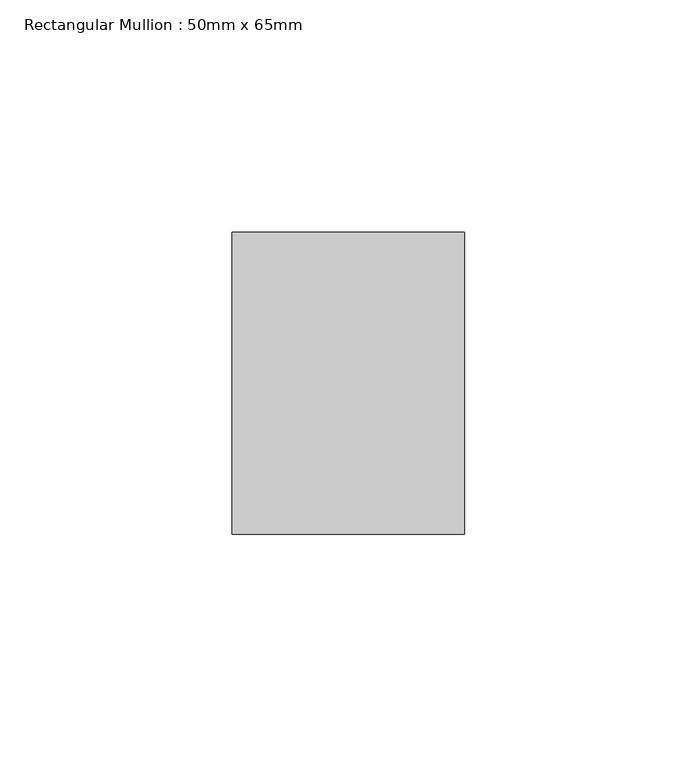
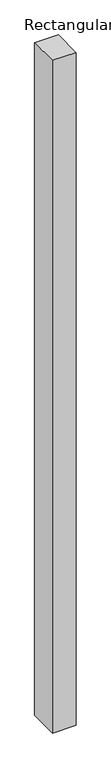
"""IFC4 building model written with IfcOpenShell, lengths in millimetres: member geometry, Rectangular Mullion : 50mm x 65mm."""

import ifcopenshell
import ifcopenshell.guid

model = None  # the IFC model being written
_history = None  # IfcOwnerHistory: only IFC2X3 demands one
_inside = {}  # id of a spatial element -> (the spatial element, [elements in it])
_under = {}  # id of a project, library or spatial element -> (it, [spatial elements below it])
_declared = {}  # id of a project -> (the project, [libraries it declares])
_typed = {}  # id of a type object -> (the type object, [elements of that type])
_made_of = {}  # id of a material, layer set ... -> (it, [elements and type objects made of it])


def new_model(schema):
    """Start an empty IFC model of exactly this schema.

    Asked for "IFC4X3", IfcOpenShell would pick the latest addendum, in which some entities
    have other attributes; the version numbers below select the first issue.
    IFC2X3 requires an IfcOwnerHistory on every rooted entity: one is made here for all.
    """
    global model, _history
    if schema == "IFC4X3":
        model = ifcopenshell.file(schema_version=(4, 3, 0, 0))
    else:
        model = ifcopenshell.file(schema=schema)
    _inside.clear()
    _under.clear()
    _declared.clear()
    _typed.clear()
    _made_of.clear()
    _history = None
    if model.schema == "IFC2X3":
        org = make("IfcOrganization", Name="unknown")
        user = make(
            "IfcPersonAndOrganization",
            ThePerson=make("IfcPerson", FamilyName="unknown"),
            TheOrganization=org,
        )
        app = make(
            "IfcApplication",
            ApplicationDeveloper=org,
            Version="unknown",
            ApplicationFullName="unknown",
            ApplicationIdentifier="unknown",
        )
        _history = make(
            "IfcOwnerHistory",
            OwningUser=user,
            OwningApplication=app,
            ChangeAction="ADDED",
            CreationDate=0,
        )
    return model


def make(cls, **values):
    """One entity of the class cls with the attributes given. An attribute that is None is left unset."""
    return model.create_entity(
        cls, **{name: value for name, value in values.items() if value is not None}
    )


def rooted(cls, **values):
    """An entity with a GlobalId (a new one), such as an element, a storey or a relation."""
    return make(cls, GlobalId=ifcopenshell.guid.new(), OwnerHistory=_history, **values)


def si_unit(unit_type, name, prefix=None):
    """IfcSIUnit, for example si_unit("LENGTHUNIT", "METRE", prefix="MILLI")."""
    return make("IfcSIUnit", UnitType=unit_type, Prefix=prefix, Name=name)


def assignment(units):
    """IfcUnitAssignment: the units of a project."""
    return None if units is None else make("IfcUnitAssignment", Units=units)


def point(xyz):
    """IfcCartesianPoint."""
    return None if xyz is None else make("IfcCartesianPoint", Coordinates=xyz)


def direction(xyz):
    """IfcDirection."""
    return None if xyz is None else make("IfcDirection", DirectionRatios=xyz)


def frame(location, z_axis=None, x_axis=None):
    """IfcAxis2Placement3D, a coordinate frame: its origin and axes. An axis left out is left unset."""
    return make(
        "IfcAxis2Placement3D",
        Location=point(location),
        Axis=direction(z_axis),
        RefDirection=direction(x_axis),
    )


def origin():
    """The frame at (0, 0, 0) with its axes left unset."""
    return frame((0.0, 0.0, 0.0))


def place(relative_to, where):
    """IfcLocalPlacement: puts the frame where relative to a parent placement (None: the world)."""
    return make(
        "IfcLocalPlacement", PlacementRelTo=relative_to, RelativePlacement=where
    )


def context(
    kind, dimensions, precision=None, world=None, true_north=None, identifier=None
):
    """IfcGeometricRepresentationContext, for example the 3D "Model" context."""
    return make(
        "IfcGeometricRepresentationContext",
        ContextIdentifier=identifier,
        ContextType=kind,
        CoordinateSpaceDimension=dimensions,
        Precision=precision,
        WorldCoordinateSystem=world,
        TrueNorth=true_north,
    )


def project(units=None, contexts=None):
    """IfcProject with its units and contexts."""
    return rooted(
        "IfcProject",
        Name="project",
        RepresentationContexts=contexts,
        UnitsInContext=assignment(units),
    )


def spatial(cls, under=None, at=None, **own):
    """A site, building, storey or space (cls), placed at a placement, below another one or the project."""
    s = rooted(cls, ObjectPlacement=at, **own)
    if under is not None:
        _under.setdefault(under.id(), (under, []))[1].append(s)
    return s


def polyline(points):
    """IfcPolyline through the points."""
    return make("IfcPolyline", Points=[point(p) for p in points])


def outline(outer, holes=None, kind="AREA"):
    """IfcArbitraryClosedProfileDef: a profile drawn as a closed curve; with holes, ...WithVoids."""
    if holes is None:
        return make("IfcArbitraryClosedProfileDef", ProfileType=kind, OuterCurve=outer)
    return make(
        "IfcArbitraryProfileDefWithVoids",
        ProfileType=kind,
        OuterCurve=outer,
        InnerCurves=holes,
    )


def extrude(swept, where, along, depth):
    """IfcExtrudedAreaSolid: the profile swept, set in the frame where, extruded along a direction by depth."""
    return make(
        "IfcExtrudedAreaSolid",
        SweptArea=swept,
        Position=where,
        ExtrudedDirection=direction(along),
        Depth=depth,
    )


def shape(context_of_items, identifier, shape_type, items):
    """IfcShapeRepresentation: the items that make up one representation, for example the "Body"."""
    return make(
        "IfcShapeRepresentation",
        ContextOfItems=context_of_items,
        RepresentationIdentifier=identifier,
        RepresentationType=shape_type,
        Items=items,
    )


def source(mapping_origin, context_of_items, identifier, shape_type, items):
    """IfcRepresentationMap: a shape defined once, which mapped items show again and again."""
    return make(
        "IfcRepresentationMap",
        MappingOrigin=mapping_origin,
        MappedRepresentation=shape(context_of_items, identifier, shape_type, items),
    )


def transform(
    local_origin,
    x_axis=None,
    y_axis=None,
    z_axis=None,
    scale=None,
    scale2=None,
    scale3=None,
    uniform=True,
):
    """IfcCartesianTransformationOperator3D, or its non-uniform kind. x_axis, y_axis, z_axis: its Axis1, 2, 3."""
    if uniform:
        return make(
            "IfcCartesianTransformationOperator3D",
            Axis1=direction(x_axis),
            Axis2=direction(y_axis),
            LocalOrigin=point(local_origin),
            Scale=scale,
            Axis3=direction(z_axis),
        )
    return make(
        "IfcCartesianTransformationOperator3DnonUniform",
        Axis1=direction(x_axis),
        Axis2=direction(y_axis),
        LocalOrigin=point(local_origin),
        Scale=scale,
        Axis3=direction(z_axis),
        Scale2=scale2,
        Scale3=scale3,
    )


def mapped(mapping_source, mapping_target):
    """IfcMappedItem: shows the shape of a source again, moved by a transform."""
    return make(
        "IfcMappedItem", MappingSource=mapping_source, MappingTarget=mapping_target
    )


def made_of(thing, what):
    """Note that an element or type object is made of a material, layer set ...; save() writes the relation."""
    if what is not None:
        _made_of.setdefault(what.id(), (what, []))[1].append(thing)
    return thing


def element(
    cls,
    number,
    at=None,
    inside=None,
    cuts=None,
    type_object=None,
    material=None,
    context=None,
    identifier="Body",
    shape_type=None,
    held_by="IfcProductDefinitionShape",
    body=None,
    shapes=None,
    **own,
):
    """One element of the class cls, such as IfcWall. Its Tag is "e" and its number.

    at: its placement. inside: the storey or other place that contains it. cuts: it is an
    opening in that element (IfcRelVoidsElement). A single representation is given by context,
    identifier, shape_type and body (its items); several are given by shapes. held_by: the class
    of the entity that holds the representations. save() writes the other relations.
    """
    e = rooted(cls, Tag="e%d" % number, ObjectPlacement=at, **own)
    if body is not None:
        shapes = [shape(context, identifier, shape_type, body)]
    if shapes is not None:
        e.Representation = make(held_by, Representations=shapes)
    if inside is not None:
        _inside.setdefault(inside.id(), (inside, []))[1].append(e)
    if cuts is not None:
        rooted(
            "IfcRelVoidsElement", RelatingBuildingElement=cuts, RelatedOpeningElement=e
        )
    if type_object is not None:
        _typed.setdefault(type_object.id(), (type_object, []))[1].append(e)
    return made_of(e, material)


def aggregate(whole, parts):
    """IfcRelAggregates: a whole, such as a stair, and the parts it consists of."""
    return rooted("IfcRelAggregates", RelatingObject=whole, RelatedObjects=parts)


def save(model, path):
    """Write the relations noted so far, then the file.

    IfcRelAggregates (storeys below a building ...), IfcRelContainedInSpatialStructure (elements
    in a storey), IfcRelDefinesByType, IfcRelAssociatesMaterial and IfcRelDeclares: one each for
    every whole, place, type object, material and project.
    """
    for whole, parts in _under.values():
        aggregate(whole, parts)
    for where, things in _inside.values():
        rooted(
            "IfcRelContainedInSpatialStructure",
            RelatedElements=things,
            RelatingStructure=where,
        )
    for kind, things in _typed.values():
        rooted("IfcRelDefinesByType", RelatedObjects=things, RelatingType=kind)
    for what, things in _made_of.values():
        rooted("IfcRelAssociatesMaterial", RelatedObjects=things, RelatingMaterial=what)
    for by, libraries in _declared.values():
        rooted("IfcRelDeclares", RelatingContext=by, RelatedDefinitions=libraries)
    model.write(path)


def rectangular_mullion_50mm_x_65mm_7fc097d6(model_context):
    return source(origin(), model_context, "Body", "SweptSolid", [
        extrude(outline(polyline([(-32.5, 0.0980881), (32.5, -0.0980881), (32.5, -1499.8164595), (-32.5, -1500.1836027), (-32.5, 0.0980881)])), frame((-25.0, 0.0, 0.0), z_axis=(1.0, 0.0, 0.0), x_axis=(0.0, 1.0, 0.0)), (0.0, 0.0, 1.0), 50.0),
    ])


if __name__ == "__main__":
    model = new_model("IFC4")
    model_context = context("Model", 3, world=origin())
    ifc_project = project(units=[si_unit("LENGTHUNIT", "METRE", prefix="MILLI")], contexts=[model_context])
    site = spatial("IfcSite", under=ifc_project)
    building = spatial("IfcBuilding", under=site)
    placement = place(None, origin())
    rectangular_mullion_50mm_x_65mm_shape = rectangular_mullion_50mm_x_65mm_7fc097d6(model_context)
    element("IfcMember", 1, ObjectType="Rectangular Mullion : 50mm x 65mm", at=placement, inside=building, context=model_context, shape_type="MappedRepresentation", body=[
        mapped(rectangular_mullion_50mm_x_65mm_shape, transform((0.0, 0.0, 0.0), x_axis=(1.0, 0.0, 0.0), y_axis=(0.0, 1.0, 0.0), z_axis=(0.0, 0.0, 1.0))),
    ])
    save(model, "model.ifc")
